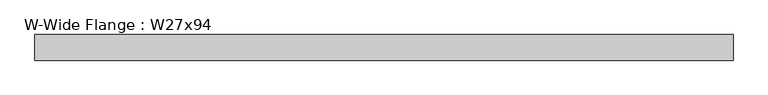
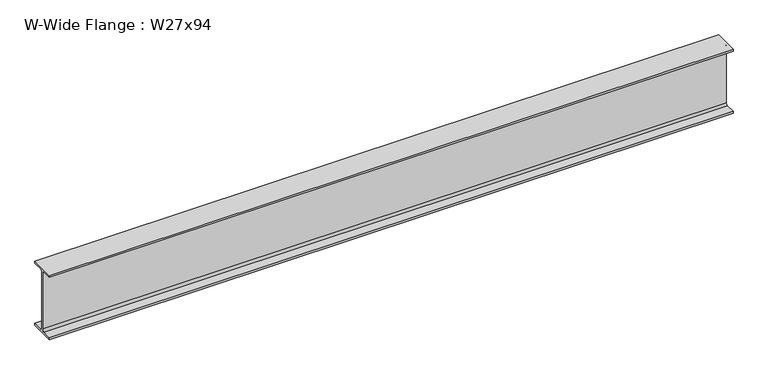
"""IFC4 building model written with IfcOpenShell, lengths in millimetres: beam geometry, W-Wide Flange : W27x94."""

from ifc_helpers import new_model, si_unit, point, frame, frame_2d, origin, place, context, project, spatial, polyline, circle_curve, trimmed, segment, composite_curve, outline, extrude, source, transform, mapped, element, save


def w_wide_flange_w27x94_02363211(model_context):
    return source(origin(), model_context, "Body", "SweptSolid", [
        extrude(outline(composite_curve([segment(polyline([(127.0, -322.707), (127.0, -341.63), (-127.0, -341.63), (-127.0, -322.707), (-28.575, -322.707)]), True, "CONTINUOUS"), segment(trimmed(circle_curve(frame_2d((-28.575, -300.355)), 22.352), [point((-28.575, -322.707))], [point((-6.223, -300.355))], True, "CARTESIAN"), True, "CONTINUOUS"), segment(polyline([(-6.223, -300.355), (-6.223, 300.355)]), True, "CONTINUOUS"), segment(trimmed(circle_curve(frame_2d((-28.575, 300.355)), 22.352), [point((-6.223, 300.355))], [point((-28.575, 322.707))], True, "CARTESIAN"), True, "CONTINUOUS"), segment(polyline([(-28.575, 322.707), (-127.0, 322.707), (-127.0, 341.63), (127.0, 341.63), (127.0, 322.707), (28.575, 322.707)]), True, "CONTINUOUS"), segment(trimmed(circle_curve(frame_2d((28.575, 300.355)), 22.352), [point((28.575, 322.707))], [point((6.223, 300.355))], True, "CARTESIAN"), True, "CONTINUOUS"), segment(polyline([(6.223, 300.355), (6.223, -300.355)]), True, "CONTINUOUS"), segment(trimmed(circle_curve(frame_2d((28.575, -300.355)), 22.352), [point((6.223, -300.355))], [point((28.575, -322.707))], True, "CARTESIAN"), True, "CONTINUOUS"), segment(polyline([(28.575, -322.707), (127.0, -322.707)]), True, "CONTINUOUS")], self_intersect=False)), frame((-3446.1488678, 0.0, 0.0), z_axis=(1.0, 0.0, 0.0), x_axis=(0.0, 1.0, 0.0)), (0.0, 0.0, 1.0), 6913.8877356),
    ])


if __name__ == "__main__":
    model = new_model("IFC4")
    model_context = context("Model", 3, world=origin())
    ifc_project = project(units=[si_unit("LENGTHUNIT", "METRE", prefix="MILLI")], contexts=[model_context])
    site = spatial("IfcSite", under=ifc_project)
    building = spatial("IfcBuilding", under=site)
    placement = place(None, origin())
    w_wide_flange_w27x94_shape = w_wide_flange_w27x94_02363211(model_context)
    element("IfcBeam", 1, ObjectType="W-Wide Flange : W27x94", at=placement, inside=building, context=model_context, shape_type="MappedRepresentation", body=[
        mapped(w_wide_flange_w27x94_shape, transform((0.0, 0.0, 0.0), x_axis=(1.0, 0.0, 0.0), y_axis=(0.0, 1.0, 0.0), z_axis=(0.0, 0.0, 1.0))),
    ])
    save(model, "model.ifc")
